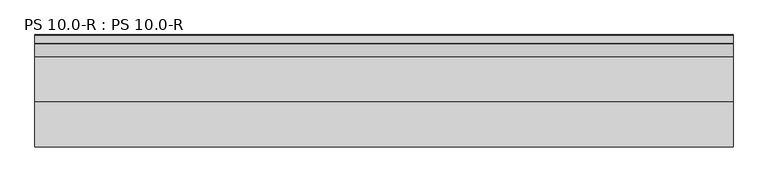
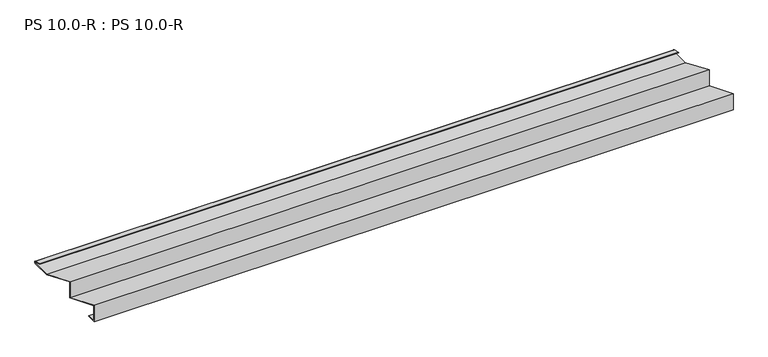
"""IFC4 building model written with IfcOpenShell, lengths in millimetres: proxy geometry, PS 10.0-R : PS 10.0-R."""

import ifcopenshell
import ifcopenshell.guid

model = None  # the IFC model being written
_history = None  # IfcOwnerHistory: only IFC2X3 demands one
_inside = {}  # id of a spatial element -> (the spatial element, [elements in it])
_under = {}  # id of a project, library or spatial element -> (it, [spatial elements below it])
_declared = {}  # id of a project -> (the project, [libraries it declares])
_typed = {}  # id of a type object -> (the type object, [elements of that type])
_made_of = {}  # id of a material, layer set ... -> (it, [elements and type objects made of it])


def new_model(schema):
    """Start an empty IFC model of exactly this schema.

    Asked for "IFC4X3", IfcOpenShell would pick the latest addendum, in which some entities
    have other attributes; the version numbers below select the first issue.
    IFC2X3 requires an IfcOwnerHistory on every rooted entity: one is made here for all.
    """
    global model, _history
    if schema == "IFC4X3":
        model = ifcopenshell.file(schema_version=(4, 3, 0, 0))
    else:
        model = ifcopenshell.file(schema=schema)
    _inside.clear()
    _under.clear()
    _declared.clear()
    _typed.clear()
    _made_of.clear()
    _history = None
    if model.schema == "IFC2X3":
        org = make("IfcOrganization", Name="unknown")
        user = make(
            "IfcPersonAndOrganization",
            ThePerson=make("IfcPerson", FamilyName="unknown"),
            TheOrganization=org,
        )
        app = make(
            "IfcApplication",
            ApplicationDeveloper=org,
            Version="unknown",
            ApplicationFullName="unknown",
            ApplicationIdentifier="unknown",
        )
        _history = make(
            "IfcOwnerHistory",
            OwningUser=user,
            OwningApplication=app,
            ChangeAction="ADDED",
            CreationDate=0,
        )
    return model


def make(cls, **values):
    """One entity of the class cls with the attributes given. An attribute that is None is left unset."""
    return model.create_entity(
        cls, **{name: value for name, value in values.items() if value is not None}
    )


def rooted(cls, **values):
    """An entity with a GlobalId (a new one), such as an element, a storey or a relation."""
    return make(cls, GlobalId=ifcopenshell.guid.new(), OwnerHistory=_history, **values)


def si_unit(unit_type, name, prefix=None):
    """IfcSIUnit, for example si_unit("LENGTHUNIT", "METRE", prefix="MILLI")."""
    return make("IfcSIUnit", UnitType=unit_type, Prefix=prefix, Name=name)


def assignment(units):
    """IfcUnitAssignment: the units of a project."""
    return None if units is None else make("IfcUnitAssignment", Units=units)


def point(xyz):
    """IfcCartesianPoint."""
    return None if xyz is None else make("IfcCartesianPoint", Coordinates=xyz)


def direction(xyz):
    """IfcDirection."""
    return None if xyz is None else make("IfcDirection", DirectionRatios=xyz)


def frame(location, z_axis=None, x_axis=None):
    """IfcAxis2Placement3D, a coordinate frame: its origin and axes. An axis left out is left unset."""
    return make(
        "IfcAxis2Placement3D",
        Location=point(location),
        Axis=direction(z_axis),
        RefDirection=direction(x_axis),
    )


def frame_2d(location, x_axis=None):
    """IfcAxis2Placement2D, a coordinate frame in the plane: its origin and x axis."""
    return make(
        "IfcAxis2Placement2D", Location=point(location), RefDirection=direction(x_axis)
    )


def origin():
    """The frame at (0, 0, 0) with its axes left unset."""
    return frame((0.0, 0.0, 0.0))


def place(relative_to, where):
    """IfcLocalPlacement: puts the frame where relative to a parent placement (None: the world)."""
    return make(
        "IfcLocalPlacement", PlacementRelTo=relative_to, RelativePlacement=where
    )


def context(
    kind, dimensions, precision=None, world=None, true_north=None, identifier=None
):
    """IfcGeometricRepresentationContext, for example the 3D "Model" context."""
    return make(
        "IfcGeometricRepresentationContext",
        ContextIdentifier=identifier,
        ContextType=kind,
        CoordinateSpaceDimension=dimensions,
        Precision=precision,
        WorldCoordinateSystem=world,
        TrueNorth=true_north,
    )


def project(units=None, contexts=None):
    """IfcProject with its units and contexts."""
    return rooted(
        "IfcProject",
        Name="project",
        RepresentationContexts=contexts,
        UnitsInContext=assignment(units),
    )


def spatial(cls, under=None, at=None, **own):
    """A site, building, storey or space (cls), placed at a placement, below another one or the project."""
    s = rooted(cls, ObjectPlacement=at, **own)
    if under is not None:
        _under.setdefault(under.id(), (under, []))[1].append(s)
    return s


def polyline(points):
    """IfcPolyline through the points."""
    return make("IfcPolyline", Points=[point(p) for p in points])


def circle_curve(where, radius):
    """IfcCircle in the frame where."""
    return make("IfcCircle", Position=where, Radius=radius)


def trimmed(basis, trim1, trim2, sense, master):
    """IfcTrimmedCurve: the piece of a basis curve between two trims."""
    return make(
        "IfcTrimmedCurve",
        BasisCurve=basis,
        Trim1=trim1,
        Trim2=trim2,
        SenseAgreement=sense,
        MasterRepresentation=master,
    )


def segment(curve, same_sense, transition):
    """IfcCompositeCurveSegment."""
    return make(
        "IfcCompositeCurveSegment",
        Transition=transition,
        SameSense=same_sense,
        ParentCurve=curve,
    )


def composite_curve(segments, self_intersect=None):
    """IfcCompositeCurve: segments joined end to end."""
    return make("IfcCompositeCurve", Segments=segments, SelfIntersect=self_intersect)


def outline(outer, holes=None, kind="AREA"):
    """IfcArbitraryClosedProfileDef: a profile drawn as a closed curve; with holes, ...WithVoids."""
    if holes is None:
        return make("IfcArbitraryClosedProfileDef", ProfileType=kind, OuterCurve=outer)
    return make(
        "IfcArbitraryProfileDefWithVoids",
        ProfileType=kind,
        OuterCurve=outer,
        InnerCurves=holes,
    )


def extrude(swept, where, along, depth):
    """IfcExtrudedAreaSolid: the profile swept, set in the frame where, extruded along a direction by depth."""
    return make(
        "IfcExtrudedAreaSolid",
        SweptArea=swept,
        Position=where,
        ExtrudedDirection=direction(along),
        Depth=depth,
    )


def shape(context_of_items, identifier, shape_type, items):
    """IfcShapeRepresentation: the items that make up one representation, for example the "Body"."""
    return make(
        "IfcShapeRepresentation",
        ContextOfItems=context_of_items,
        RepresentationIdentifier=identifier,
        RepresentationType=shape_type,
        Items=items,
    )


def source(mapping_origin, context_of_items, identifier, shape_type, items):
    """IfcRepresentationMap: a shape defined once, which mapped items show again and again."""
    return make(
        "IfcRepresentationMap",
        MappingOrigin=mapping_origin,
        MappedRepresentation=shape(context_of_items, identifier, shape_type, items),
    )


def transform(
    local_origin,
    x_axis=None,
    y_axis=None,
    z_axis=None,
    scale=None,
    scale2=None,
    scale3=None,
    uniform=True,
):
    """IfcCartesianTransformationOperator3D, or its non-uniform kind. x_axis, y_axis, z_axis: its Axis1, 2, 3."""
    if uniform:
        return make(
            "IfcCartesianTransformationOperator3D",
            Axis1=direction(x_axis),
            Axis2=direction(y_axis),
            LocalOrigin=point(local_origin),
            Scale=scale,
            Axis3=direction(z_axis),
        )
    return make(
        "IfcCartesianTransformationOperator3DnonUniform",
        Axis1=direction(x_axis),
        Axis2=direction(y_axis),
        LocalOrigin=point(local_origin),
        Scale=scale,
        Axis3=direction(z_axis),
        Scale2=scale2,
        Scale3=scale3,
    )


def mapped(mapping_source, mapping_target):
    """IfcMappedItem: shows the shape of a source again, moved by a transform."""
    return make(
        "IfcMappedItem", MappingSource=mapping_source, MappingTarget=mapping_target
    )


def made_of(thing, what):
    """Note that an element or type object is made of a material, layer set ...; save() writes the relation."""
    if what is not None:
        _made_of.setdefault(what.id(), (what, []))[1].append(thing)
    return thing


def element(
    cls,
    number,
    at=None,
    inside=None,
    cuts=None,
    type_object=None,
    material=None,
    context=None,
    identifier="Body",
    shape_type=None,
    held_by="IfcProductDefinitionShape",
    body=None,
    shapes=None,
    **own,
):
    """One element of the class cls, such as IfcWall. Its Tag is "e" and its number.

    at: its placement. inside: the storey or other place that contains it. cuts: it is an
    opening in that element (IfcRelVoidsElement). A single representation is given by context,
    identifier, shape_type and body (its items); several are given by shapes. held_by: the class
    of the entity that holds the representations. save() writes the other relations.
    """
    e = rooted(cls, Tag="e%d" % number, ObjectPlacement=at, **own)
    if body is not None:
        shapes = [shape(context, identifier, shape_type, body)]
    if shapes is not None:
        e.Representation = make(held_by, Representations=shapes)
    if inside is not None:
        _inside.setdefault(inside.id(), (inside, []))[1].append(e)
    if cuts is not None:
        rooted(
            "IfcRelVoidsElement", RelatingBuildingElement=cuts, RelatedOpeningElement=e
        )
    if type_object is not None:
        _typed.setdefault(type_object.id(), (type_object, []))[1].append(e)
    return made_of(e, material)


def aggregate(whole, parts):
    """IfcRelAggregates: a whole, such as a stair, and the parts it consists of."""
    return rooted("IfcRelAggregates", RelatingObject=whole, RelatedObjects=parts)


def save(model, path):
    """Write the relations noted so far, then the file.

    IfcRelAggregates (storeys below a building ...), IfcRelContainedInSpatialStructure (elements
    in a storey), IfcRelDefinesByType, IfcRelAssociatesMaterial and IfcRelDeclares: one each for
    every whole, place, type object, material and project.
    """
    for whole, parts in _under.values():
        aggregate(whole, parts)
    for where, things in _inside.values():
        rooted(
            "IfcRelContainedInSpatialStructure",
            RelatedElements=things,
            RelatingStructure=where,
        )
    for kind, things in _typed.values():
        rooted("IfcRelDefinesByType", RelatedObjects=things, RelatingType=kind)
    for what, things in _made_of.values():
        rooted("IfcRelAssociatesMaterial", RelatedObjects=things, RelatingMaterial=what)
    for by, libraries in _declared.values():
        rooted("IfcRelDeclares", RelatingContext=by, RelatedDefinitions=libraries)
    model.write(path)


def ps_10_0_r_ps_10_0_r_d21663a0(model_context):
    return source(origin(), model_context, "Body", "SweptSolid", [
        extrude(outline(composite_curve([segment(polyline([(180.7993204, 0.5), (222.6835104, 0.5)]), True, "CONTINUOUS"), segment(trimmed(circle_curve(frame_2d((221.9419644, 2.4153551)), 2.0538928), [point((222.6835104, 0.5))], [point((222.807341, 4.278041))], True, "CARTESIAN"), True, "CONTINUOUS"), segment(polyline([(222.807341, 4.278041), (207.1307182, 7.2866995), (207.4140687, 8.2359048), (223.163909, 5.2131944)]), True, "CONTINUOUS"), segment(trimmed(circle_curve(frame_2d((221.9700946, 2.4215767)), 3.0361691), [point((223.163909, 5.2131944))], [point((222.7963586, -0.5))], False, "CARTESIAN"), True, "CONTINUOUS"), segment(polyline([(222.7963586, -0.5), (180.5989079, -0.5), (92.0, 36.4987104), (92.0, -0.5), (1.0, 36.4987317), (1.0, 1.5), (20.0, 1.5), (20.0, 0.5), (0.0, 0.5), (0.0, 38.0), (91.0, 1.0012683), (91.0, 38.0), (180.7993204, 0.5)]), True, "CONTINUOUS")], self_intersect=False)), frame((0.0, 0.0, 0.0), z_axis=(1.0, 0.0, 0.0), x_axis=(0.0, 1.0, 0.0)), (0.0, 0.0, 1.0), 1400.0),
    ])


if __name__ == "__main__":
    model = new_model("IFC4")
    model_context = context("Model", 3, world=origin())
    ifc_project = project(units=[si_unit("LENGTHUNIT", "METRE", prefix="MILLI")], contexts=[model_context])
    site = spatial("IfcSite", under=ifc_project)
    building = spatial("IfcBuilding", under=site)
    placement = place(None, origin())
    ps_10_0_r_ps_10_0_r_shape = ps_10_0_r_ps_10_0_r_d21663a0(model_context)
    element("IfcBuildingElementProxy", 1, Name="PS 10.0-R : PS 10.0-R", ObjectType="PS 10.0-R : PS 10.0-R", at=placement, inside=building, context=model_context, shape_type="MappedRepresentation", body=[
        mapped(ps_10_0_r_ps_10_0_r_shape, transform((0.0, 0.0, 0.0), x_axis=(1.0, 0.0, 0.0), y_axis=(0.0, 1.0, 0.0), z_axis=(0.0, 0.0, 1.0))),
    ])
    save(model, "model.ifc")
